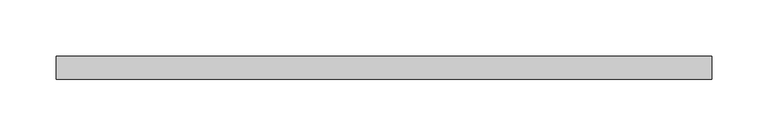
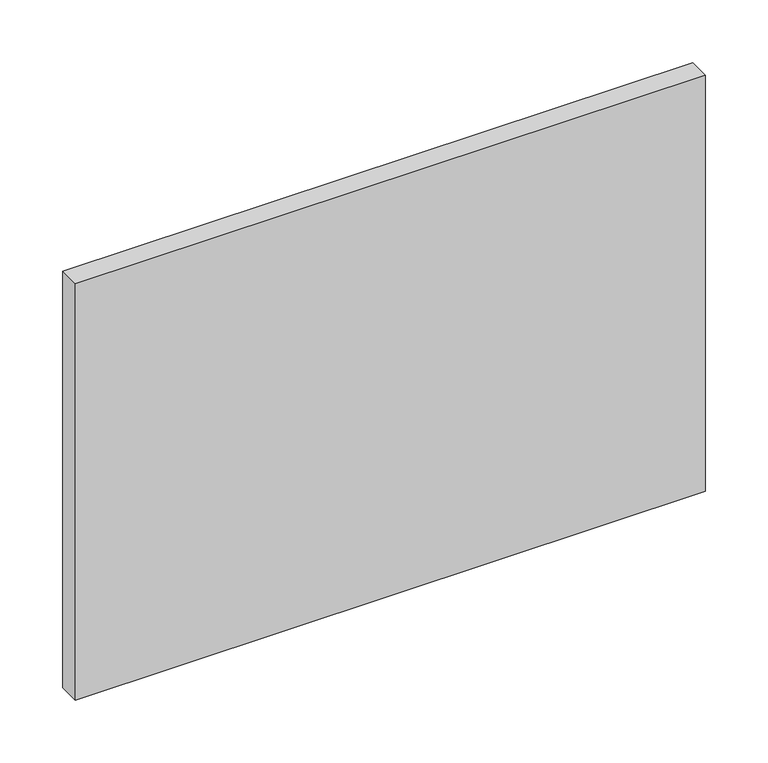
"""IFC4 building model written with IfcOpenShell, lengths in millimetres: plate geometry."""

from ifc_helpers import new_model, si_unit, origin, origin_with_axes, place, context, project, spatial, polyline, outline, extrude, source, transform, mapped, element, save


def plate_be1c1ed8(model_context):
    return source(origin(), model_context, "Body", "SweptSolid", [
        extrude(outline(polyline([(290.0, -90.0), (-290.0, -90.0), (-290.0, -70.0), (290.0, -70.0), (290.0, -90.0)])), origin_with_axes(), (0.0, 0.0, 1.0), 405.1707317),
    ])


if __name__ == "__main__":
    model = new_model("IFC4")
    model_context = context("Model", 3, world=origin())
    ifc_project = project(units=[si_unit("LENGTHUNIT", "METRE", prefix="MILLI")], contexts=[model_context])
    site = spatial("IfcSite", under=ifc_project)
    building = spatial("IfcBuilding", under=site)
    placement = place(None, origin())
    plate_shape = plate_be1c1ed8(model_context)
    element("IfcPlate", 1, at=placement, inside=building, context=model_context, shape_type="MappedRepresentation", body=[
        mapped(plate_shape, transform((0.0, 0.0, 0.0), x_axis=(1.0, 0.0, 0.0), y_axis=(0.0, 1.0, 0.0), z_axis=(0.0, 0.0, 1.0))),
    ])
    save(model, "model.ifc")
